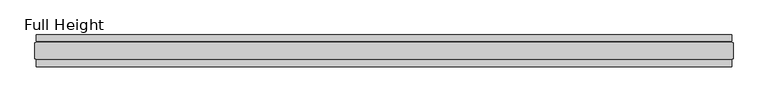
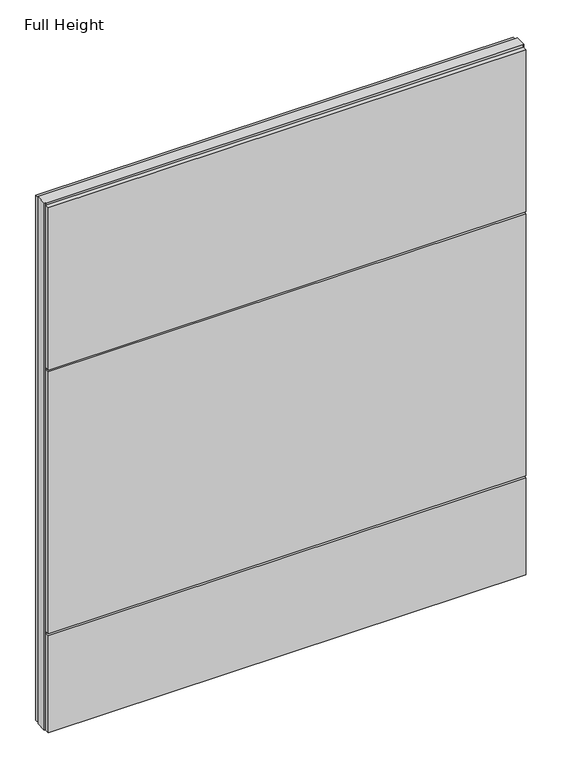
"""IFC4 building model written with IfcOpenShell, lengths in millimetres: plate geometry, Full Height."""

from ifc_helpers import new_model, si_unit, frame, origin, origin_with_axes, place, context, project, spatial, polyline, outline, extrude, source, transform, mapped, element, save


def full_height_311e2a15(model_context):
    return source(origin(), model_context, "Body", "SweptSolid", [
        extrude(outline(polyline([(1087.628, 28.956), (-1087.628, 28.956), (-1087.628, 49.53), (1087.628, 49.53), (1087.628, 28.956)])), origin_with_axes(), (0.0, 0.0, 1.0), 2526.792),
        extrude(outline(polyline([(1087.628, -28.956), (1087.628, -49.53), (-1087.628, -49.53), (-1087.628, -28.956), (1087.628, -28.956)])), frame((0.0, 0.0, 1745.996), z_axis=(0.0, 0.0, 1.0), x_axis=(1.0, 0.0, 0.0)), (0.0, 0.0, 1.0), 780.796),
        extrude(outline(polyline([(1087.628, -28.956), (1087.628, -49.53), (-1087.628, -49.53), (-1087.628, -28.956), (1087.628, -28.956)])), frame((0.0, 0.0, 475.996), z_axis=(0.0, 0.0, 1.0), x_axis=(1.0, 0.0, 0.0)), (0.0, 0.0, 1.0), 1260.856),
        extrude(outline(polyline([(1087.628, -28.956), (1087.628, -49.53), (-1087.628, -49.53), (-1087.628, -28.956), (1087.628, -28.956)])), origin_with_axes(), (0.0, 0.0, 1.0), 466.852),
        extrude(outline(polyline([(1087.628, -25.146), (1087.628, -26.67), (-1087.628, -26.67), (-1087.628, -25.146), (-1092.2, -25.146), (-1092.2, 25.146), (-1087.628, 25.146), (-1087.628, 26.67), (1087.628, 26.67), (1087.628, 25.146), (1092.2, 25.146), (1092.2, -25.146), (1087.628, -25.146)])), origin_with_axes(), (0.0, 0.0, 1.0), 2535.936),
    ])


if __name__ == "__main__":
    model = new_model("IFC4")
    model_context = context("Model", 3, world=origin())
    ifc_project = project(units=[si_unit("LENGTHUNIT", "METRE", prefix="MILLI")], contexts=[model_context])
    site = spatial("IfcSite", under=ifc_project)
    building = spatial("IfcBuilding", under=site)
    placement = place(None, origin())
    full_height_shape = full_height_311e2a15(model_context)
    element("IfcPlate", 1, ObjectType="Full Height", at=placement, inside=building, context=model_context, shape_type="MappedRepresentation", body=[
        mapped(full_height_shape, transform((0.0, 0.0, 0.0), x_axis=(1.0, 0.0, 0.0), y_axis=(0.0, 1.0, 0.0), z_axis=(0.0, 0.0, 1.0))),
    ])
    save(model, "model.ifc")
